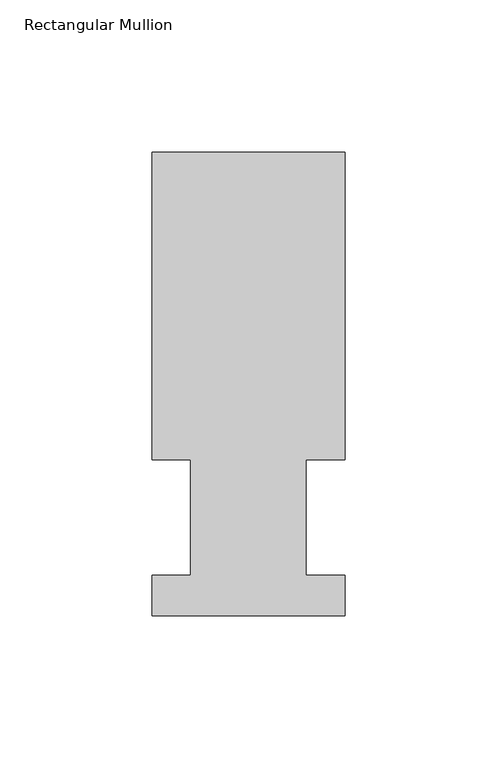
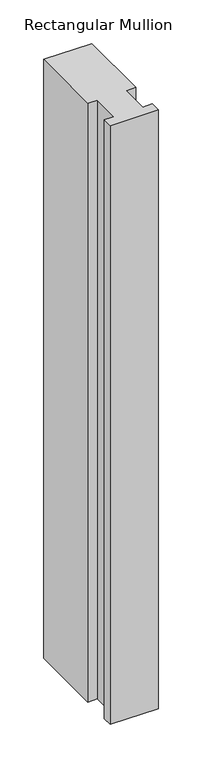
"""IFC4 building model written with IfcOpenShell, lengths in millimetres: member geometry, Rectangular Mullion."""

from ifc_helpers import new_model, si_unit, frame, origin, place, context, project, spatial, polyline, outline, extrude, source, transform, mapped, element, save


def rectangular_mullion_fa0c8fae(model_context):
    return source(origin(), model_context, "Body", "SweptSolid", [
        extrude(outline(polyline([(31.75, 152.4896937), (31.75, 51.2960938), (19.05, 51.2960938), (19.05, 13.1960937), (31.75, 13.1960937), (31.75, 0.0134937), (-31.75, 0.0134937), (-31.75, 13.1960937), (-19.05, 13.1960937), (-19.05, 51.2960938), (-31.75, 51.2960938), (-31.75, 152.4896937), (31.75, 152.4896937)])), frame((0.0, 0.0, -838.2), z_axis=(0.0, 0.0, 1.0), x_axis=(1.0, 0.0, 0.0)), (0.0, 0.0, 1.0), 838.2),
    ])


if __name__ == "__main__":
    model = new_model("IFC4")
    model_context = context("Model", 3, world=origin())
    ifc_project = project(units=[si_unit("LENGTHUNIT", "METRE", prefix="MILLI")], contexts=[model_context])
    site = spatial("IfcSite", under=ifc_project)
    building = spatial("IfcBuilding", under=site)
    placement = place(None, origin())
    rectangular_mullion_shape = rectangular_mullion_fa0c8fae(model_context)
    element("IfcMember", 1, ObjectType="Rectangular Mullion", at=placement, inside=building, context=model_context, shape_type="MappedRepresentation", body=[
        mapped(rectangular_mullion_shape, transform((0.0, 0.0, 0.0), x_axis=(1.0, 0.0, 0.0), y_axis=(0.0, 1.0, 0.0), z_axis=(0.0, 0.0, 1.0))),
    ])
    save(model, "model.ifc")
